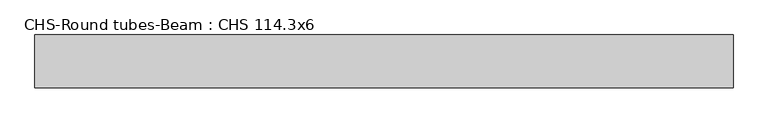
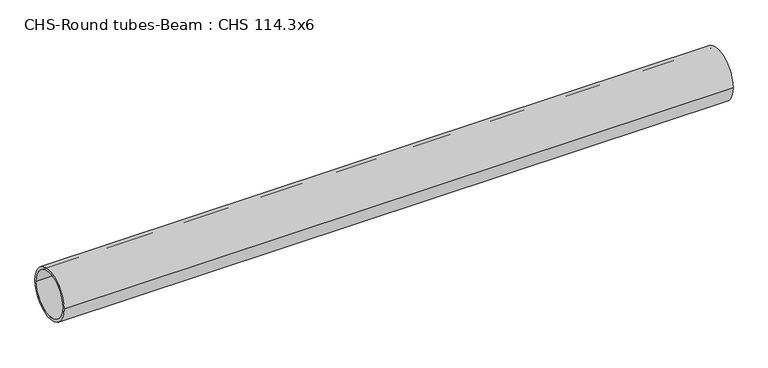
"""IFC4 building model written with IfcOpenShell, lengths in millimetres: beam geometry, CHS-Round tubes-Beam : CHS 114.3x6."""

from ifc_helpers import new_model, si_unit, point, frame, origin, origin_2d, place, context, project, spatial, circle_curve, trimmed, segment, composite_curve, outline, extrude, source, transform, mapped, element, save


def chs_round_tubes_beam_chs_114_3x6_1397f3a4(model_context):
    return source(origin(), model_context, "Body", "SweptSolid", [
        extrude(outline(composite_curve([segment(trimmed(circle_curve(origin_2d(), 57.15), [point((57.15, 0.0))], [point((-57.15, 0.0))], False, "CARTESIAN"), True, "CONTINUOUS"), segment(trimmed(circle_curve(origin_2d(), 57.15), [point((-57.15, 0.0))], [point((57.15, 0.0))], False, "CARTESIAN"), True, "CONTINUOUS")], self_intersect=False), holes=[composite_curve([segment(trimmed(circle_curve(origin_2d(), 51.15), [point((51.15, 0.0))], [point((-51.15, 0.0))], True, "CARTESIAN"), True, "CONTINUOUS"), segment(trimmed(circle_curve(origin_2d(), 51.15), [point((-51.15, 0.0))], [point((51.15, 0.0))], True, "CARTESIAN"), True, "CONTINUOUS")], self_intersect=False)]), frame((-735.5663258, 0.0, 0.0), z_axis=(1.0, 0.0, 0.0), x_axis=(0.0, 1.0, 0.0)), (0.0, 0.0, 1.0), 1511.4391455),
    ])


if __name__ == "__main__":
    model = new_model("IFC4")
    model_context = context("Model", 3, world=origin())
    ifc_project = project(units=[si_unit("LENGTHUNIT", "METRE", prefix="MILLI")], contexts=[model_context])
    site = spatial("IfcSite", under=ifc_project)
    building = spatial("IfcBuilding", under=site)
    placement = place(None, origin())
    chs_round_tubes_beam_chs_114_3x6_shape = chs_round_tubes_beam_chs_114_3x6_1397f3a4(model_context)
    element("IfcBeam", 1, ObjectType="CHS-Round tubes-Beam : CHS 114.3x6", at=placement, inside=building, context=model_context, shape_type="MappedRepresentation", body=[
        mapped(chs_round_tubes_beam_chs_114_3x6_shape, transform((0.0, 0.0, 0.0), x_axis=(1.0, 0.0, 0.0), y_axis=(0.0, 1.0, 0.0), z_axis=(0.0, 0.0, 1.0))),
    ])
    save(model, "model.ifc")
